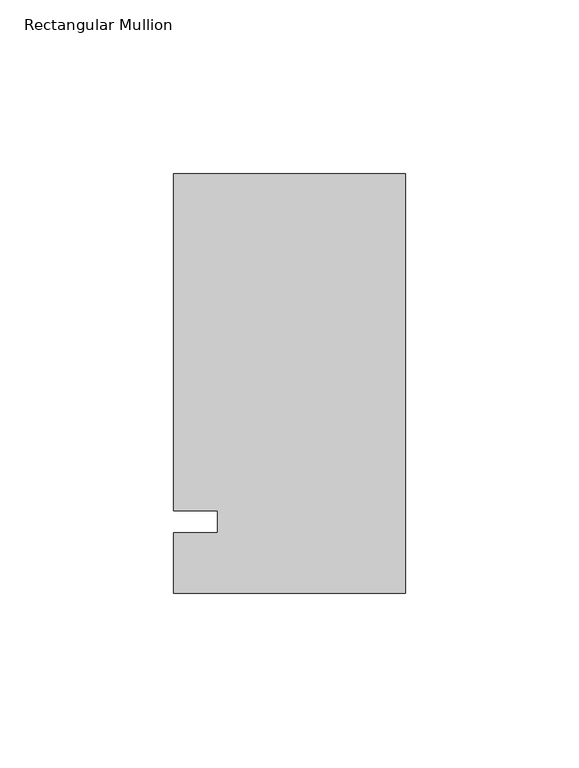
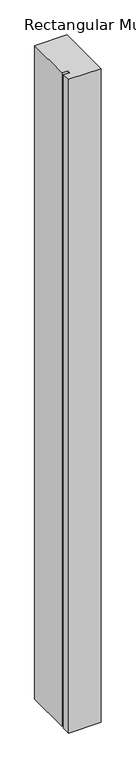
"""IFC4 building model written with IfcOpenShell, lengths in millimetres: member geometry, Rectangular Mullion."""

from ifc_helpers import new_model, si_unit, frame, origin, place, context, project, spatial, polyline, outline, extrude, source, transform, mapped, element, save


def rectangular_mullion_556ae3c9(model_context):
    return source(origin(), model_context, "Body", "SweptSolid", [
        extrude(outline(polyline([(-66.675, 100.0125), (0.0, 100.0125), (0.0, -20.6375), (-66.675, -20.6375), (-66.675, -3.175), (-53.9732296, -3.175), (-53.9732296, 3.175), (-66.675, 3.175), (-66.675, 100.0125)])), frame((0.0, 0.0, -1416.1510693), z_axis=(0.0, 0.0, 1.0), x_axis=(1.0, 0.0, 0.0)), (0.0, 0.0, 1.0), 1416.1510693),
    ])


if __name__ == "__main__":
    model = new_model("IFC4")
    model_context = context("Model", 3, world=origin())
    ifc_project = project(units=[si_unit("LENGTHUNIT", "METRE", prefix="MILLI")], contexts=[model_context])
    site = spatial("IfcSite", under=ifc_project)
    building = spatial("IfcBuilding", under=site)
    placement = place(None, origin())
    rectangular_mullion_shape = rectangular_mullion_556ae3c9(model_context)
    element("IfcMember", 1, ObjectType="Rectangular Mullion", at=placement, inside=building, context=model_context, shape_type="MappedRepresentation", body=[
        mapped(rectangular_mullion_shape, transform((0.0, 0.0, 0.0), x_axis=(1.0, 0.0, 0.0), y_axis=(0.0, 1.0, 0.0), z_axis=(0.0, 0.0, 1.0))),
    ])
    save(model, "model.ifc")
